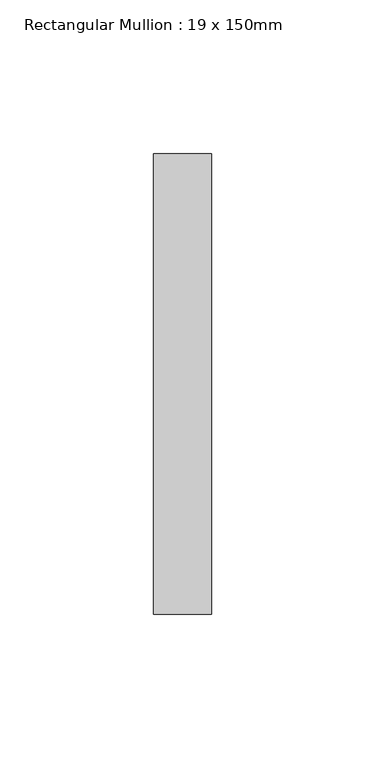
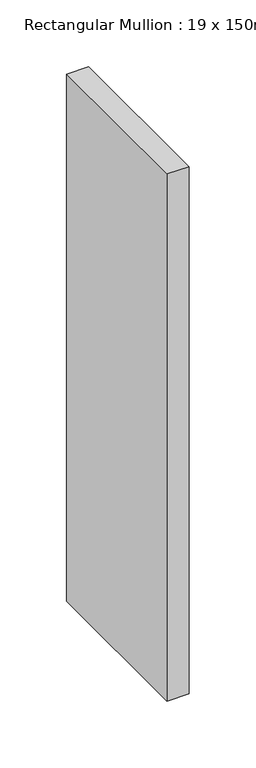
"""IFC4 building model written with IfcOpenShell, lengths in millimetres: member geometry, Rectangular Mullion : 19 x 150mm."""

from ifc_helpers import new_model, si_unit, frame, origin, place, context, project, spatial, polyline, outline, extrude, source, transform, mapped, element, save


def rectangular_mullion_19_x_150mm_1547f34a(model_context):
    return source(origin(), model_context, "Body", "SweptSolid", [
        extrude(outline(polyline([(9.5, -25.0), (9.5, -175.0), (-9.5, -175.0), (-9.5, -25.0), (9.5, -25.0)])), frame((0.0, 0.0, -481.0000005), z_axis=(0.0, 0.0, 1.0), x_axis=(1.0, 0.0, 0.0)), (0.0, 0.0, 1.0), 481.0000005),
    ])


if __name__ == "__main__":
    model = new_model("IFC4")
    model_context = context("Model", 3, world=origin())
    ifc_project = project(units=[si_unit("LENGTHUNIT", "METRE", prefix="MILLI")], contexts=[model_context])
    site = spatial("IfcSite", under=ifc_project)
    building = spatial("IfcBuilding", under=site)
    placement = place(None, origin())
    rectangular_mullion_19_x_150mm_shape = rectangular_mullion_19_x_150mm_1547f34a(model_context)
    element("IfcMember", 1, ObjectType="Rectangular Mullion : 19 x 150mm", at=placement, inside=building, context=model_context, shape_type="MappedRepresentation", body=[
        mapped(rectangular_mullion_19_x_150mm_shape, transform((0.0, 0.0, 0.0), x_axis=(1.0, 0.0, 0.0), y_axis=(0.0, 1.0, 0.0), z_axis=(0.0, 0.0, 1.0))),
    ])
    save(model, "model.ifc")
